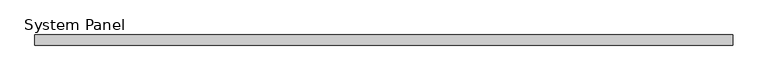
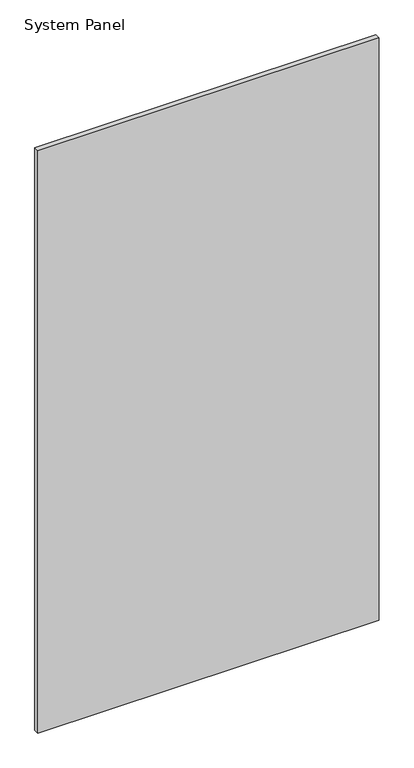
"""IFC4 building model written with IfcOpenShell, lengths in millimetres: plate geometry, System Panel."""

from ifc_helpers import new_model, si_unit, origin, origin_with_axes, place, context, project, spatial, polyline, outline, extrude, source, transform, mapped, element, save


def system_panel_5f3031bf(model_context):
    return source(origin(), model_context, "Body", "SweptSolid", [
        extrude(outline(polyline([(665.5461192, -10.0), (-665.5461192, -10.0), (-665.5461192, 10.0), (665.5461192, 10.0), (665.5461192, -10.0)])), origin_with_axes(), (0.0, 0.0, 1.0), 2400.0),
    ])


if __name__ == "__main__":
    model = new_model("IFC4")
    model_context = context("Model", 3, world=origin())
    ifc_project = project(units=[si_unit("LENGTHUNIT", "METRE", prefix="MILLI")], contexts=[model_context])
    site = spatial("IfcSite", under=ifc_project)
    building = spatial("IfcBuilding", under=site)
    placement = place(None, origin())
    system_panel_shape = system_panel_5f3031bf(model_context)
    element("IfcPlate", 1, ObjectType="System Panel", at=placement, inside=building, context=model_context, shape_type="MappedRepresentation", body=[
        mapped(system_panel_shape, transform((0.0, 0.0, 0.0), x_axis=(1.0, 0.0, 0.0), y_axis=(0.0, 1.0, 0.0), z_axis=(0.0, 0.0, 1.0))),
    ])
    save(model, "model.ifc")
